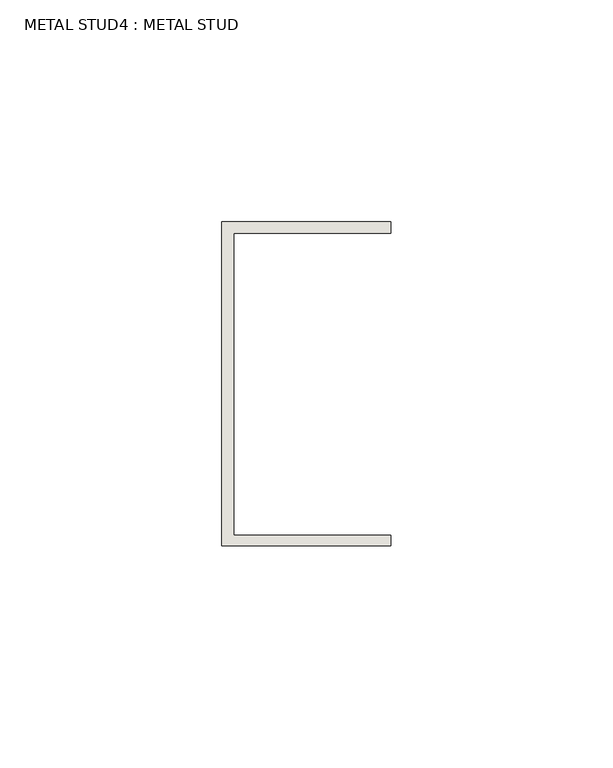
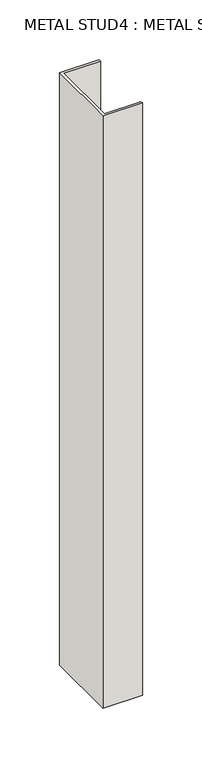
"""IFC4 building model written with IfcOpenShell, lengths in millimetres: wall geometry, METAL STUD4 : METAL STUD."""

import ifcopenshell
import ifcopenshell.guid

model = None  # the IFC model being written
_history = None  # IfcOwnerHistory: only IFC2X3 demands one
_inside = {}  # id of a spatial element -> (the spatial element, [elements in it])
_under = {}  # id of a project, library or spatial element -> (it, [spatial elements below it])
_declared = {}  # id of a project -> (the project, [libraries it declares])
_typed = {}  # id of a type object -> (the type object, [elements of that type])
_made_of = {}  # id of a material, layer set ... -> (it, [elements and type objects made of it])


def new_model(schema):
    """Start an empty IFC model of exactly this schema.

    Asked for "IFC4X3", IfcOpenShell would pick the latest addendum, in which some entities
    have other attributes; the version numbers below select the first issue.
    IFC2X3 requires an IfcOwnerHistory on every rooted entity: one is made here for all.
    """
    global model, _history
    if schema == "IFC4X3":
        model = ifcopenshell.file(schema_version=(4, 3, 0, 0))
    else:
        model = ifcopenshell.file(schema=schema)
    _inside.clear()
    _under.clear()
    _declared.clear()
    _typed.clear()
    _made_of.clear()
    _history = None
    if model.schema == "IFC2X3":
        org = make("IfcOrganization", Name="unknown")
        user = make(
            "IfcPersonAndOrganization",
            ThePerson=make("IfcPerson", FamilyName="unknown"),
            TheOrganization=org,
        )
        app = make(
            "IfcApplication",
            ApplicationDeveloper=org,
            Version="unknown",
            ApplicationFullName="unknown",
            ApplicationIdentifier="unknown",
        )
        _history = make(
            "IfcOwnerHistory",
            OwningUser=user,
            OwningApplication=app,
            ChangeAction="ADDED",
            CreationDate=0,
        )
    return model


def make(cls, **values):
    """One entity of the class cls with the attributes given. An attribute that is None is left unset."""
    return model.create_entity(
        cls, **{name: value for name, value in values.items() if value is not None}
    )


def rooted(cls, **values):
    """An entity with a GlobalId (a new one), such as an element, a storey or a relation."""
    return make(cls, GlobalId=ifcopenshell.guid.new(), OwnerHistory=_history, **values)


def si_unit(unit_type, name, prefix=None):
    """IfcSIUnit, for example si_unit("LENGTHUNIT", "METRE", prefix="MILLI")."""
    return make("IfcSIUnit", UnitType=unit_type, Prefix=prefix, Name=name)


def assignment(units):
    """IfcUnitAssignment: the units of a project."""
    return None if units is None else make("IfcUnitAssignment", Units=units)


def point(xyz):
    """IfcCartesianPoint."""
    return None if xyz is None else make("IfcCartesianPoint", Coordinates=xyz)


def direction(xyz):
    """IfcDirection."""
    return None if xyz is None else make("IfcDirection", DirectionRatios=xyz)


def frame(location, z_axis=None, x_axis=None):
    """IfcAxis2Placement3D, a coordinate frame: its origin and axes. An axis left out is left unset."""
    return make(
        "IfcAxis2Placement3D",
        Location=point(location),
        Axis=direction(z_axis),
        RefDirection=direction(x_axis),
    )


def origin():
    """The frame at (0, 0, 0) with its axes left unset."""
    return frame((0.0, 0.0, 0.0))


def place(relative_to, where):
    """IfcLocalPlacement: puts the frame where relative to a parent placement (None: the world)."""
    return make(
        "IfcLocalPlacement", PlacementRelTo=relative_to, RelativePlacement=where
    )


def context(
    kind, dimensions, precision=None, world=None, true_north=None, identifier=None
):
    """IfcGeometricRepresentationContext, for example the 3D "Model" context."""
    return make(
        "IfcGeometricRepresentationContext",
        ContextIdentifier=identifier,
        ContextType=kind,
        CoordinateSpaceDimension=dimensions,
        Precision=precision,
        WorldCoordinateSystem=world,
        TrueNorth=true_north,
    )


def project(units=None, contexts=None):
    """IfcProject with its units and contexts."""
    return rooted(
        "IfcProject",
        Name="project",
        RepresentationContexts=contexts,
        UnitsInContext=assignment(units),
    )


def spatial(cls, under=None, at=None, **own):
    """A site, building, storey or space (cls), placed at a placement, below another one or the project."""
    s = rooted(cls, ObjectPlacement=at, **own)
    if under is not None:
        _under.setdefault(under.id(), (under, []))[1].append(s)
    return s


def polyline(points):
    """IfcPolyline through the points."""
    return make("IfcPolyline", Points=[point(p) for p in points])


def outline(outer, holes=None, kind="AREA"):
    """IfcArbitraryClosedProfileDef: a profile drawn as a closed curve; with holes, ...WithVoids."""
    if holes is None:
        return make("IfcArbitraryClosedProfileDef", ProfileType=kind, OuterCurve=outer)
    return make(
        "IfcArbitraryProfileDefWithVoids",
        ProfileType=kind,
        OuterCurve=outer,
        InnerCurves=holes,
    )


def extrude(swept, where, along, depth):
    """IfcExtrudedAreaSolid: the profile swept, set in the frame where, extruded along a direction by depth."""
    return make(
        "IfcExtrudedAreaSolid",
        SweptArea=swept,
        Position=where,
        ExtrudedDirection=direction(along),
        Depth=depth,
    )


def shape(context_of_items, identifier, shape_type, items):
    """IfcShapeRepresentation: the items that make up one representation, for example the "Body"."""
    return make(
        "IfcShapeRepresentation",
        ContextOfItems=context_of_items,
        RepresentationIdentifier=identifier,
        RepresentationType=shape_type,
        Items=items,
    )


def source(mapping_origin, context_of_items, identifier, shape_type, items):
    """IfcRepresentationMap: a shape defined once, which mapped items show again and again."""
    return make(
        "IfcRepresentationMap",
        MappingOrigin=mapping_origin,
        MappedRepresentation=shape(context_of_items, identifier, shape_type, items),
    )


def transform(
    local_origin,
    x_axis=None,
    y_axis=None,
    z_axis=None,
    scale=None,
    scale2=None,
    scale3=None,
    uniform=True,
):
    """IfcCartesianTransformationOperator3D, or its non-uniform kind. x_axis, y_axis, z_axis: its Axis1, 2, 3."""
    if uniform:
        return make(
            "IfcCartesianTransformationOperator3D",
            Axis1=direction(x_axis),
            Axis2=direction(y_axis),
            LocalOrigin=point(local_origin),
            Scale=scale,
            Axis3=direction(z_axis),
        )
    return make(
        "IfcCartesianTransformationOperator3DnonUniform",
        Axis1=direction(x_axis),
        Axis2=direction(y_axis),
        LocalOrigin=point(local_origin),
        Scale=scale,
        Axis3=direction(z_axis),
        Scale2=scale2,
        Scale3=scale3,
    )


def mapped(mapping_source, mapping_target):
    """IfcMappedItem: shows the shape of a source again, moved by a transform."""
    return make(
        "IfcMappedItem", MappingSource=mapping_source, MappingTarget=mapping_target
    )


def made_of(thing, what):
    """Note that an element or type object is made of a material, layer set ...; save() writes the relation."""
    if what is not None:
        _made_of.setdefault(what.id(), (what, []))[1].append(thing)
    return thing


def element(
    cls,
    number,
    at=None,
    inside=None,
    cuts=None,
    type_object=None,
    material=None,
    context=None,
    identifier="Body",
    shape_type=None,
    held_by="IfcProductDefinitionShape",
    body=None,
    shapes=None,
    **own,
):
    """One element of the class cls, such as IfcWall. Its Tag is "e" and its number.

    at: its placement. inside: the storey or other place that contains it. cuts: it is an
    opening in that element (IfcRelVoidsElement). A single representation is given by context,
    identifier, shape_type and body (its items); several are given by shapes. held_by: the class
    of the entity that holds the representations. save() writes the other relations.
    """
    e = rooted(cls, Tag="e%d" % number, ObjectPlacement=at, **own)
    if body is not None:
        shapes = [shape(context, identifier, shape_type, body)]
    if shapes is not None:
        e.Representation = make(held_by, Representations=shapes)
    if inside is not None:
        _inside.setdefault(inside.id(), (inside, []))[1].append(e)
    if cuts is not None:
        rooted(
            "IfcRelVoidsElement", RelatingBuildingElement=cuts, RelatedOpeningElement=e
        )
    if type_object is not None:
        _typed.setdefault(type_object.id(), (type_object, []))[1].append(e)
    return made_of(e, material)


def aggregate(whole, parts):
    """IfcRelAggregates: a whole, such as a stair, and the parts it consists of."""
    return rooted("IfcRelAggregates", RelatingObject=whole, RelatedObjects=parts)


def save(model, path):
    """Write the relations noted so far, then the file.

    IfcRelAggregates (storeys below a building ...), IfcRelContainedInSpatialStructure (elements
    in a storey), IfcRelDefinesByType, IfcRelAssociatesMaterial and IfcRelDeclares: one each for
    every whole, place, type object, material and project.
    """
    for whole, parts in _under.values():
        aggregate(whole, parts)
    for where, things in _inside.values():
        rooted(
            "IfcRelContainedInSpatialStructure",
            RelatedElements=things,
            RelatingStructure=where,
        )
    for kind, things in _typed.values():
        rooted("IfcRelDefinesByType", RelatedObjects=things, RelatingType=kind)
    for what, things in _made_of.values():
        rooted("IfcRelAssociatesMaterial", RelatedObjects=things, RelatingMaterial=what)
    for by, libraries in _declared.values():
        rooted("IfcRelDeclares", RelatingContext=by, RelatedDefinitions=libraries)
    model.write(path)


def metal_stud4_metal_stud_b26267a3(model_context):
    return source(origin(), model_context, "Body", "SweptSolid", [
        extrude(outline(polyline([(1743.0232057, 2205.2184093), (1781.1232057, 2205.2184093), (1781.1232057, 2202.5963422), (1745.6709729, 2202.5963422), (1745.6709729, 2134.5768657), (1781.1232057, 2134.5768657), (1781.1232057, 2132.1934093), (1743.0232057, 2132.1934093), (1743.0232057, 2205.2184093)])), frame((0.0, 0.0, 307.3338188), z_axis=(0.0, 0.0, 1.0), x_axis=(1.0, 0.0, 0.0)), (0.0, 0.0, 1.0), 605.9654057),
    ])


if __name__ == "__main__":
    model = new_model("IFC4")
    model_context = context("Model", 3, world=origin())
    ifc_project = project(units=[si_unit("LENGTHUNIT", "METRE", prefix="MILLI")], contexts=[model_context])
    site = spatial("IfcSite", under=ifc_project)
    building = spatial("IfcBuilding", under=site)
    placement = place(None, origin())
    metal_stud4_metal_stud_shape = metal_stud4_metal_stud_b26267a3(model_context)
    element("IfcWall", 1, ObjectType="METAL STUD4 : METAL STUD", at=placement, inside=building, context=model_context, shape_type="MappedRepresentation", body=[
        mapped(metal_stud4_metal_stud_shape, transform((0.0, 0.0, 0.0), x_axis=(1.0, 0.0, 0.0), y_axis=(0.0, 1.0, 0.0), z_axis=(0.0, 0.0, 1.0))),
    ])
    save(model, "model.ifc")
